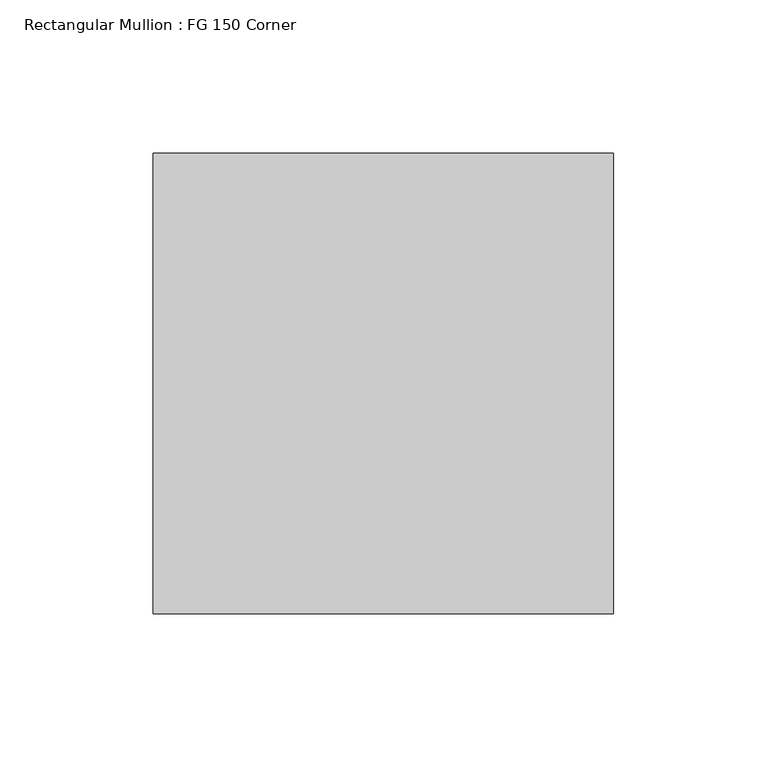
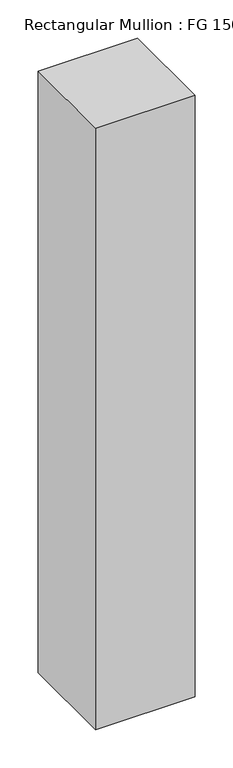
"""IFC4 building model written with IfcOpenShell, lengths in millimetres: member geometry, Rectangular Mullion : FG 150 Corner."""

import ifcopenshell
import ifcopenshell.guid

model = None  # the IFC model being written
_history = None  # IfcOwnerHistory: only IFC2X3 demands one
_inside = {}  # id of a spatial element -> (the spatial element, [elements in it])
_under = {}  # id of a project, library or spatial element -> (it, [spatial elements below it])
_declared = {}  # id of a project -> (the project, [libraries it declares])
_typed = {}  # id of a type object -> (the type object, [elements of that type])
_made_of = {}  # id of a material, layer set ... -> (it, [elements and type objects made of it])


def new_model(schema):
    """Start an empty IFC model of exactly this schema.

    Asked for "IFC4X3", IfcOpenShell would pick the latest addendum, in which some entities
    have other attributes; the version numbers below select the first issue.
    IFC2X3 requires an IfcOwnerHistory on every rooted entity: one is made here for all.
    """
    global model, _history
    if schema == "IFC4X3":
        model = ifcopenshell.file(schema_version=(4, 3, 0, 0))
    else:
        model = ifcopenshell.file(schema=schema)
    _inside.clear()
    _under.clear()
    _declared.clear()
    _typed.clear()
    _made_of.clear()
    _history = None
    if model.schema == "IFC2X3":
        org = make("IfcOrganization", Name="unknown")
        user = make(
            "IfcPersonAndOrganization",
            ThePerson=make("IfcPerson", FamilyName="unknown"),
            TheOrganization=org,
        )
        app = make(
            "IfcApplication",
            ApplicationDeveloper=org,
            Version="unknown",
            ApplicationFullName="unknown",
            ApplicationIdentifier="unknown",
        )
        _history = make(
            "IfcOwnerHistory",
            OwningUser=user,
            OwningApplication=app,
            ChangeAction="ADDED",
            CreationDate=0,
        )
    return model


def make(cls, **values):
    """One entity of the class cls with the attributes given. An attribute that is None is left unset."""
    return model.create_entity(
        cls, **{name: value for name, value in values.items() if value is not None}
    )


def rooted(cls, **values):
    """An entity with a GlobalId (a new one), such as an element, a storey or a relation."""
    return make(cls, GlobalId=ifcopenshell.guid.new(), OwnerHistory=_history, **values)


def si_unit(unit_type, name, prefix=None):
    """IfcSIUnit, for example si_unit("LENGTHUNIT", "METRE", prefix="MILLI")."""
    return make("IfcSIUnit", UnitType=unit_type, Prefix=prefix, Name=name)


def assignment(units):
    """IfcUnitAssignment: the units of a project."""
    return None if units is None else make("IfcUnitAssignment", Units=units)


def point(xyz):
    """IfcCartesianPoint."""
    return None if xyz is None else make("IfcCartesianPoint", Coordinates=xyz)


def direction(xyz):
    """IfcDirection."""
    return None if xyz is None else make("IfcDirection", DirectionRatios=xyz)


def frame(location, z_axis=None, x_axis=None):
    """IfcAxis2Placement3D, a coordinate frame: its origin and axes. An axis left out is left unset."""
    return make(
        "IfcAxis2Placement3D",
        Location=point(location),
        Axis=direction(z_axis),
        RefDirection=direction(x_axis),
    )


def origin():
    """The frame at (0, 0, 0) with its axes left unset."""
    return frame((0.0, 0.0, 0.0))


def place(relative_to, where):
    """IfcLocalPlacement: puts the frame where relative to a parent placement (None: the world)."""
    return make(
        "IfcLocalPlacement", PlacementRelTo=relative_to, RelativePlacement=where
    )


def context(
    kind, dimensions, precision=None, world=None, true_north=None, identifier=None
):
    """IfcGeometricRepresentationContext, for example the 3D "Model" context."""
    return make(
        "IfcGeometricRepresentationContext",
        ContextIdentifier=identifier,
        ContextType=kind,
        CoordinateSpaceDimension=dimensions,
        Precision=precision,
        WorldCoordinateSystem=world,
        TrueNorth=true_north,
    )


def project(units=None, contexts=None):
    """IfcProject with its units and contexts."""
    return rooted(
        "IfcProject",
        Name="project",
        RepresentationContexts=contexts,
        UnitsInContext=assignment(units),
    )


def spatial(cls, under=None, at=None, **own):
    """A site, building, storey or space (cls), placed at a placement, below another one or the project."""
    s = rooted(cls, ObjectPlacement=at, **own)
    if under is not None:
        _under.setdefault(under.id(), (under, []))[1].append(s)
    return s


def polyline(points):
    """IfcPolyline through the points."""
    return make("IfcPolyline", Points=[point(p) for p in points])


def outline(outer, holes=None, kind="AREA"):
    """IfcArbitraryClosedProfileDef: a profile drawn as a closed curve; with holes, ...WithVoids."""
    if holes is None:
        return make("IfcArbitraryClosedProfileDef", ProfileType=kind, OuterCurve=outer)
    return make(
        "IfcArbitraryProfileDefWithVoids",
        ProfileType=kind,
        OuterCurve=outer,
        InnerCurves=holes,
    )


def extrude(swept, where, along, depth):
    """IfcExtrudedAreaSolid: the profile swept, set in the frame where, extruded along a direction by depth."""
    return make(
        "IfcExtrudedAreaSolid",
        SweptArea=swept,
        Position=where,
        ExtrudedDirection=direction(along),
        Depth=depth,
    )


def shape(context_of_items, identifier, shape_type, items):
    """IfcShapeRepresentation: the items that make up one representation, for example the "Body"."""
    return make(
        "IfcShapeRepresentation",
        ContextOfItems=context_of_items,
        RepresentationIdentifier=identifier,
        RepresentationType=shape_type,
        Items=items,
    )


def source(mapping_origin, context_of_items, identifier, shape_type, items):
    """IfcRepresentationMap: a shape defined once, which mapped items show again and again."""
    return make(
        "IfcRepresentationMap",
        MappingOrigin=mapping_origin,
        MappedRepresentation=shape(context_of_items, identifier, shape_type, items),
    )


def transform(
    local_origin,
    x_axis=None,
    y_axis=None,
    z_axis=None,
    scale=None,
    scale2=None,
    scale3=None,
    uniform=True,
):
    """IfcCartesianTransformationOperator3D, or its non-uniform kind. x_axis, y_axis, z_axis: its Axis1, 2, 3."""
    if uniform:
        return make(
            "IfcCartesianTransformationOperator3D",
            Axis1=direction(x_axis),
            Axis2=direction(y_axis),
            LocalOrigin=point(local_origin),
            Scale=scale,
            Axis3=direction(z_axis),
        )
    return make(
        "IfcCartesianTransformationOperator3DnonUniform",
        Axis1=direction(x_axis),
        Axis2=direction(y_axis),
        LocalOrigin=point(local_origin),
        Scale=scale,
        Axis3=direction(z_axis),
        Scale2=scale2,
        Scale3=scale3,
    )


def mapped(mapping_source, mapping_target):
    """IfcMappedItem: shows the shape of a source again, moved by a transform."""
    return make(
        "IfcMappedItem", MappingSource=mapping_source, MappingTarget=mapping_target
    )


def made_of(thing, what):
    """Note that an element or type object is made of a material, layer set ...; save() writes the relation."""
    if what is not None:
        _made_of.setdefault(what.id(), (what, []))[1].append(thing)
    return thing


def element(
    cls,
    number,
    at=None,
    inside=None,
    cuts=None,
    type_object=None,
    material=None,
    context=None,
    identifier="Body",
    shape_type=None,
    held_by="IfcProductDefinitionShape",
    body=None,
    shapes=None,
    **own,
):
    """One element of the class cls, such as IfcWall. Its Tag is "e" and its number.

    at: its placement. inside: the storey or other place that contains it. cuts: it is an
    opening in that element (IfcRelVoidsElement). A single representation is given by context,
    identifier, shape_type and body (its items); several are given by shapes. held_by: the class
    of the entity that holds the representations. save() writes the other relations.
    """
    e = rooted(cls, Tag="e%d" % number, ObjectPlacement=at, **own)
    if body is not None:
        shapes = [shape(context, identifier, shape_type, body)]
    if shapes is not None:
        e.Representation = make(held_by, Representations=shapes)
    if inside is not None:
        _inside.setdefault(inside.id(), (inside, []))[1].append(e)
    if cuts is not None:
        rooted(
            "IfcRelVoidsElement", RelatingBuildingElement=cuts, RelatedOpeningElement=e
        )
    if type_object is not None:
        _typed.setdefault(type_object.id(), (type_object, []))[1].append(e)
    return made_of(e, material)


def aggregate(whole, parts):
    """IfcRelAggregates: a whole, such as a stair, and the parts it consists of."""
    return rooted("IfcRelAggregates", RelatingObject=whole, RelatedObjects=parts)


def save(model, path):
    """Write the relations noted so far, then the file.

    IfcRelAggregates (storeys below a building ...), IfcRelContainedInSpatialStructure (elements
    in a storey), IfcRelDefinesByType, IfcRelAssociatesMaterial and IfcRelDeclares: one each for
    every whole, place, type object, material and project.
    """
    for whole, parts in _under.values():
        aggregate(whole, parts)
    for where, things in _inside.values():
        rooted(
            "IfcRelContainedInSpatialStructure",
            RelatedElements=things,
            RelatingStructure=where,
        )
    for kind, things in _typed.values():
        rooted("IfcRelDefinesByType", RelatedObjects=things, RelatingType=kind)
    for what, things in _made_of.values():
        rooted("IfcRelAssociatesMaterial", RelatedObjects=things, RelatingMaterial=what)
    for by, libraries in _declared.values():
        rooted("IfcRelDeclares", RelatingContext=by, RelatedDefinitions=libraries)
    model.write(path)


def rectangular_mullion_fg_150_corner_e84e66c6(model_context):
    return source(origin(), model_context, "Body", "SweptSolid", [
        extrude(outline(polyline([(0.0, 75.0), (0.0, -75.0), (-150.0, -75.0), (-150.0, 75.0), (0.0, 75.0)])), frame((0.0, 0.0, -959.0045338), z_axis=(0.0, 0.0, 1.0), x_axis=(1.0, 0.0, 0.0)), (0.0, 0.0, 1.0), 959.0045338),
    ])


if __name__ == "__main__":
    model = new_model("IFC4")
    model_context = context("Model", 3, world=origin())
    ifc_project = project(units=[si_unit("LENGTHUNIT", "METRE", prefix="MILLI")], contexts=[model_context])
    site = spatial("IfcSite", under=ifc_project)
    building = spatial("IfcBuilding", under=site)
    placement = place(None, origin())
    rectangular_mullion_fg_150_corner_shape = rectangular_mullion_fg_150_corner_e84e66c6(model_context)
    element("IfcMember", 1, ObjectType="Rectangular Mullion : FG 150 Corner", at=placement, inside=building, context=model_context, shape_type="MappedRepresentation", body=[
        mapped(rectangular_mullion_fg_150_corner_shape, transform((0.0, 0.0, 0.0), x_axis=(1.0, 0.0, 0.0), y_axis=(0.0, 1.0, 0.0), z_axis=(0.0, 0.0, 1.0))),
    ])
    save(model, "model.ifc")
